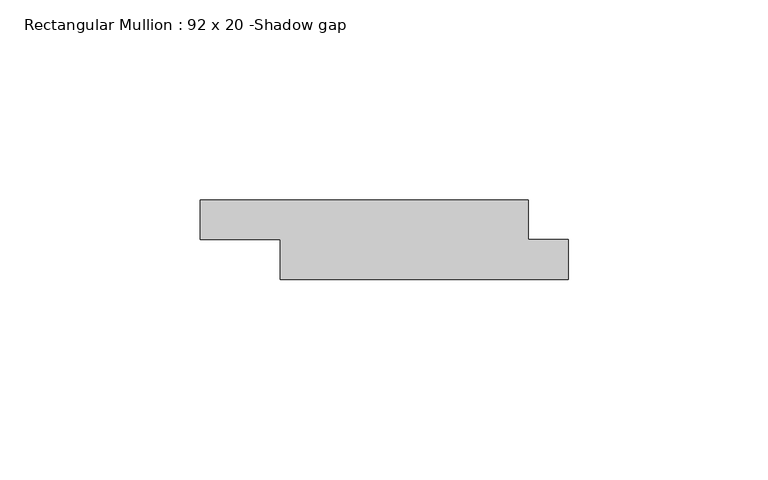
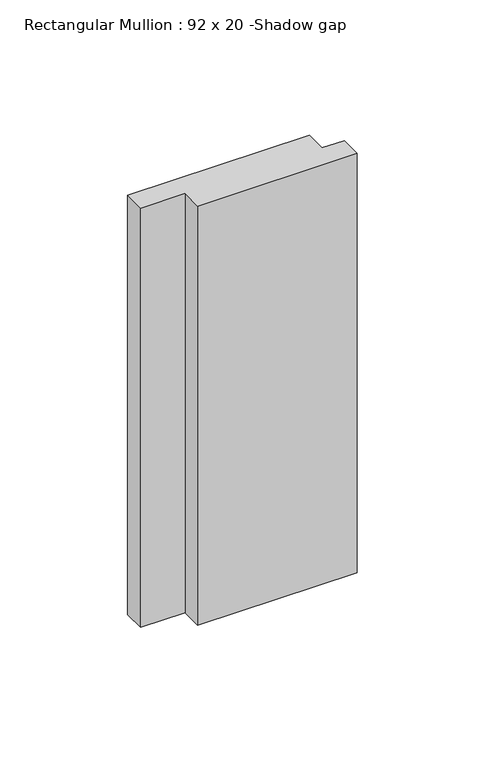
"""IFC4 building model written with IfcOpenShell, lengths in millimetres: member geometry, Rectangular Mullion : 92 x 20 -Shadow gap."""

from ifc_helpers import new_model, si_unit, frame, origin, place, context, project, spatial, polyline, outline, extrude, source, transform, mapped, element, save


def rectangular_mullion_92_x_20_shadow_gap_61437850(model_context):
    return source(origin(), model_context, "Body", "SweptSolid", [
        extrude(outline(polyline([(-92.0, -10.0), (-92.0, 0.0), (-10.0, 0.0), (-10.0, -10.0), (0.0, -10.0), (0.0, -20.0), (-72.0, -20.0), (-72.0, -10.0), (-92.0, -10.0)])), frame((0.0, 0.0, -200.0), z_axis=(0.0, 0.0, 1.0), x_axis=(1.0, 0.0, 0.0)), (0.0, 0.0, 1.0), 200.0),
    ])


if __name__ == "__main__":
    model = new_model("IFC4")
    model_context = context("Model", 3, world=origin())
    ifc_project = project(units=[si_unit("LENGTHUNIT", "METRE", prefix="MILLI")], contexts=[model_context])
    site = spatial("IfcSite", under=ifc_project)
    building = spatial("IfcBuilding", under=site)
    placement = place(None, origin())
    rectangular_mullion_92_x_20_shadow_gap_shape = rectangular_mullion_92_x_20_shadow_gap_61437850(model_context)
    element("IfcMember", 1, ObjectType="Rectangular Mullion : 92 x 20 -Shadow gap", at=placement, inside=building, context=model_context, shape_type="MappedRepresentation", body=[
        mapped(rectangular_mullion_92_x_20_shadow_gap_shape, transform((0.0, 0.0, 0.0), x_axis=(1.0, 0.0, 0.0), y_axis=(0.0, 1.0, 0.0), z_axis=(0.0, 0.0, 1.0))),
    ])
    save(model, "model.ifc")
